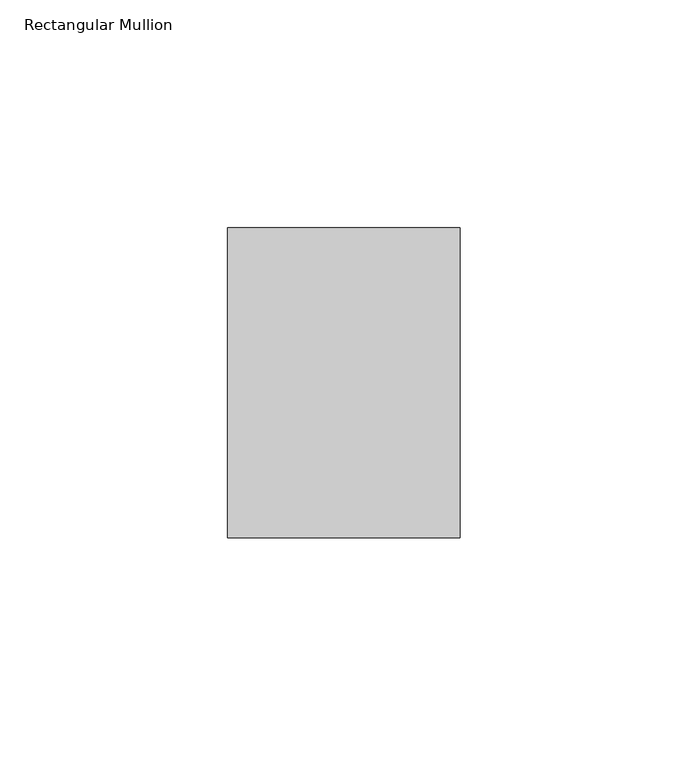
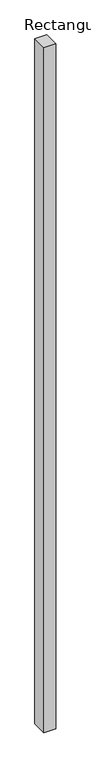
"""IFC4 building model written with IfcOpenShell, lengths in millimetres: member geometry, Rectangular Mullion."""

from ifc_helpers import new_model, si_unit, frame, origin, place, context, project, spatial, polyline, outline, extrude, source, transform, mapped, element, save


def rectangular_mullion_727c65e6(model_context):
    return source(origin(), model_context, "Body", "SweptSolid", [
        extrude(outline(polyline([(0.0, 68.0), (0.0, 0.0), (-51.0, 0.0), (-51.0, 68.0), (0.0, 68.0)])), frame((0.0, 0.0, -3149.0), z_axis=(0.0, 0.0, 1.0), x_axis=(1.0, 0.0, 0.0)), (0.0, 0.0, 1.0), 3149.0),
    ])


if __name__ == "__main__":
    model = new_model("IFC4")
    model_context = context("Model", 3, world=origin())
    ifc_project = project(units=[si_unit("LENGTHUNIT", "METRE", prefix="MILLI")], contexts=[model_context])
    site = spatial("IfcSite", under=ifc_project)
    building = spatial("IfcBuilding", under=site)
    placement = place(None, origin())
    rectangular_mullion_shape = rectangular_mullion_727c65e6(model_context)
    element("IfcMember", 1, ObjectType="Rectangular Mullion", at=placement, inside=building, context=model_context, shape_type="MappedRepresentation", body=[
        mapped(rectangular_mullion_shape, transform((0.0, 0.0, 0.0), x_axis=(1.0, 0.0, 0.0), y_axis=(0.0, 1.0, 0.0), z_axis=(0.0, 0.0, 1.0))),
    ])
    save(model, "model.ifc")
